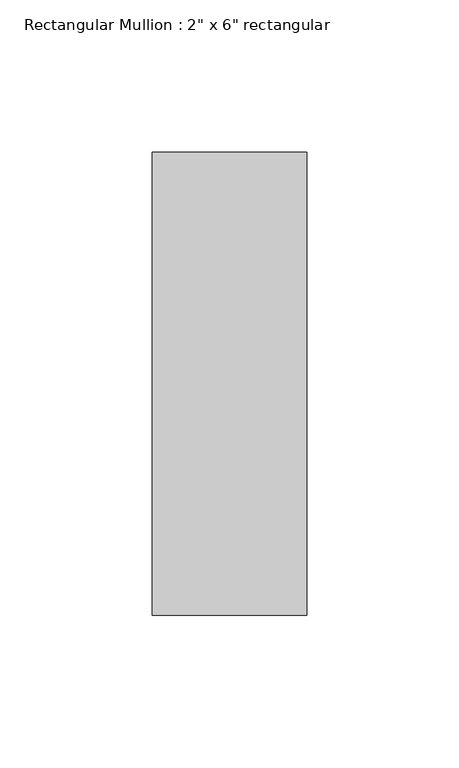
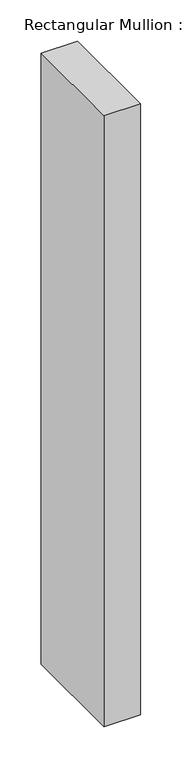
"""IFC4 building model written with IfcOpenShell, lengths in millimetres: member geometry."""

from ifc_helpers import new_model, si_unit, frame, origin, place, context, project, spatial, polyline, outline, extrude, source, transform, mapped, element, save


def member_ed49cb93(model_context):
    return source(origin(), model_context, "Body", "SweptSolid", [
        extrude(outline(polyline([(0.0, 76.2), (0.0, -76.2), (-50.8, -76.2), (-50.8, 76.2), (0.0, 76.2)])), frame((0.0, 0.0, -901.7), z_axis=(0.0, 0.0, 1.0), x_axis=(1.0, 0.0, 0.0)), (0.0, 0.0, 1.0), 901.7),
    ])


if __name__ == "__main__":
    model = new_model("IFC4")
    model_context = context("Model", 3, world=origin())
    ifc_project = project(units=[si_unit("LENGTHUNIT", "METRE", prefix="MILLI")], contexts=[model_context])
    site = spatial("IfcSite", under=ifc_project)
    building = spatial("IfcBuilding", under=site)
    placement = place(None, origin())
    member_shape = member_ed49cb93(model_context)
    element("IfcMember", 1, ObjectType="Rectangular Mullion : 2\" x 6\" rectangular", at=placement, inside=building, context=model_context, shape_type="MappedRepresentation", body=[
        mapped(member_shape, transform((0.0, 0.0, 0.0), x_axis=(1.0, 0.0, 0.0), y_axis=(0.0, 1.0, 0.0), z_axis=(0.0, 0.0, 1.0))),
    ])
    save(model, "model.ifc")
